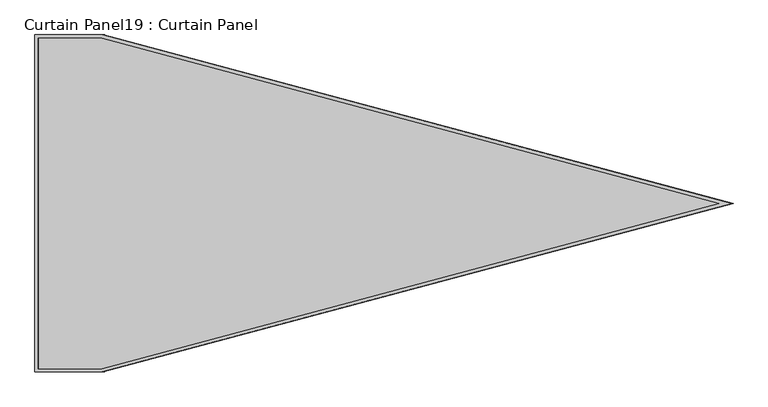
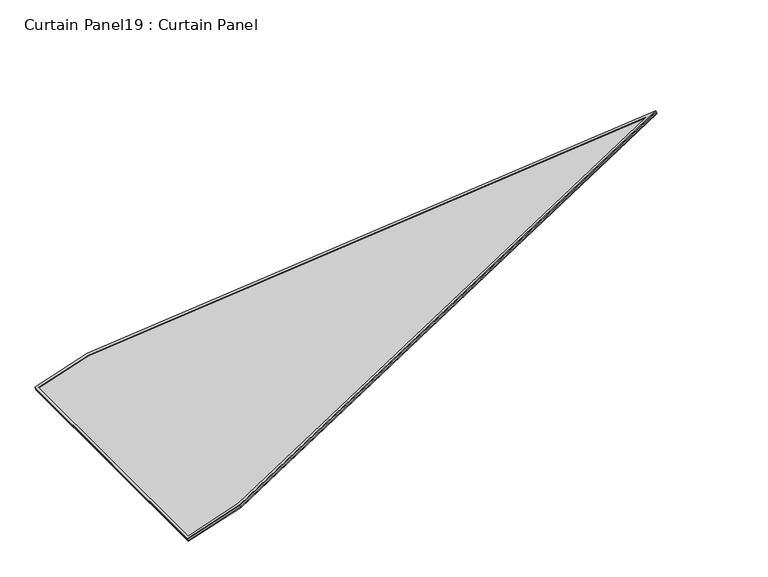
"""IFC4 building model written with IfcOpenShell, lengths in millimetres: plate geometry, Curtain Panel19 : Curtain Panel."""

from ifc_helpers import new_model, si_unit, frame, origin, place, context, project, spatial, polyline, outline, extrude, source, transform, mapped, element, save


def curtain_panel19_curtain_panel_3031ac4d(model_context):
    return source(origin(), model_context, "Body", "SweptSolid", [
        extrude(outline(polyline([(847.432027, -3689.1827045), (0.0, -355.5429689), (0.0, 0.0), (1694.8442516, 0.0), (1694.8442516, -355.6208679), (847.432027, -3689.1827045)]), holes=[polyline([(1678.1814538, -16.6627979), (16.6627979, -16.6627979), (16.6627979, -353.4582275), (847.432027, -3621.5496201), (1678.1814538, -353.5361265), (1678.1814538, -16.6627979)])]), frame((8732.5369731, 488.954519, 1932.1705917), z_axis=(-0.31614582397380514, 0.0, 0.9487106081329142), x_axis=(0.0, 1.0, 0.0)), (0.0, 0.0, 1.0), 4.7588177),
        extrude(outline(polyline([(847.432027, -3689.1827045), (0.0, -355.542969), (0.0, 0.0), (1694.8442516, 0.0), (1694.8442516, -355.6208679), (847.432027, -3689.1827045)]), holes=[polyline([(1684.5314538, -10.3127979), (10.3127979, -10.3127979), (10.3127979, -354.2526985), (847.432027, -3647.3238082), (1684.5314538, -354.3305975), (1684.5314538, -10.3127979)])]), frame((8738.1327345, 488.954519, 1915.3784729), z_axis=(-0.31614582397380514, 0.0, 0.9487106081329142), x_axis=(0.0, 1.0, 0.0)), (0.0, 0.0, 1.0), 4.7666001),
        extrude(outline(polyline([(12.7, 0.0), (1707.5442516, 0.0), (1707.5442516, -355.6208678), (860.132027, -3689.1827044), (12.7, -355.5429689), (12.7, 0.0)])), frame((8736.6257938, 476.254519, 1919.9005971), z_axis=(-0.3161458239738053, 0.0, 0.9487106081329142), x_axis=(0.0, 1.0, 0.0)), (0.0, 0.0, 1.0), 12.9333376),
    ])


if __name__ == "__main__":
    model = new_model("IFC4")
    model_context = context("Model", 3, world=origin())
    ifc_project = project(units=[si_unit("LENGTHUNIT", "METRE", prefix="MILLI")], contexts=[model_context])
    site = spatial("IfcSite", under=ifc_project)
    building = spatial("IfcBuilding", under=site)
    placement = place(None, origin())
    curtain_panel19_curtain_panel_shape = curtain_panel19_curtain_panel_3031ac4d(model_context)
    element("IfcPlate", 1, ObjectType="Curtain Panel19 : Curtain Panel", at=placement, inside=building, context=model_context, shape_type="MappedRepresentation", body=[
        mapped(curtain_panel19_curtain_panel_shape, transform((0.0, 0.0, 0.0), x_axis=(1.0, 0.0, 0.0), y_axis=(0.0, 1.0, 0.0), z_axis=(0.0, 0.0, 1.0))),
    ])
    save(model, "model.ifc")
